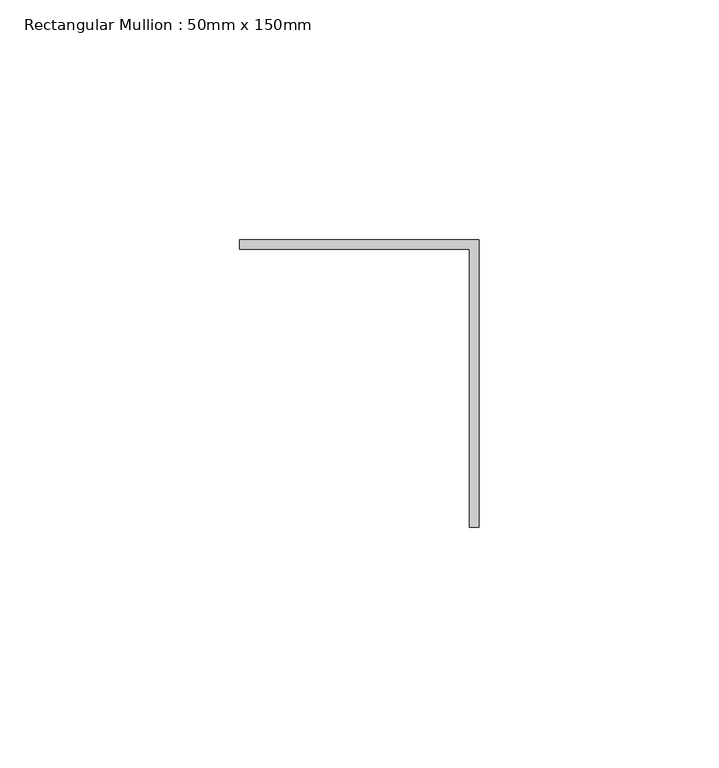
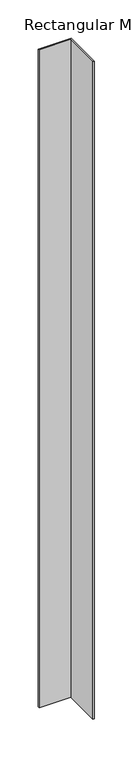
"""IFC4 building model written with IfcOpenShell, lengths in millimetres: member geometry, Rectangular Mullion : 50mm x 150mm."""

from ifc_helpers import new_model, si_unit, frame, origin, place, context, project, spatial, polyline, outline, extrude, source, transform, mapped, element, save


def rectangular_mullion_50mm_x_150mm_8800df47(model_context):
    return source(origin(), model_context, "Body", "SweptSolid", [
        extrude(outline(polyline([(0.0, 0.0), (0.0, -60.0), (-2.0, -60.0), (-2.0, -2.0), (-50.0, -2.0), (-50.0, 0.0), (0.0, 0.0)])), frame((0.0, 0.0, -1049.6930737), z_axis=(0.0, 0.0, 1.0), x_axis=(1.0, 0.0, 0.0)), (0.0, 0.0, 1.0), 1049.6930737),
    ])


if __name__ == "__main__":
    model = new_model("IFC4")
    model_context = context("Model", 3, world=origin())
    ifc_project = project(units=[si_unit("LENGTHUNIT", "METRE", prefix="MILLI")], contexts=[model_context])
    site = spatial("IfcSite", under=ifc_project)
    building = spatial("IfcBuilding", under=site)
    placement = place(None, origin())
    rectangular_mullion_50mm_x_150mm_shape = rectangular_mullion_50mm_x_150mm_8800df47(model_context)
    element("IfcMember", 1, ObjectType="Rectangular Mullion : 50mm x 150mm", at=placement, inside=building, context=model_context, shape_type="MappedRepresentation", body=[
        mapped(rectangular_mullion_50mm_x_150mm_shape, transform((0.0, 0.0, 0.0), x_axis=(1.0, 0.0, 0.0), y_axis=(0.0, 1.0, 0.0), z_axis=(0.0, 0.0, 1.0))),
    ])
    save(model, "model.ifc")
